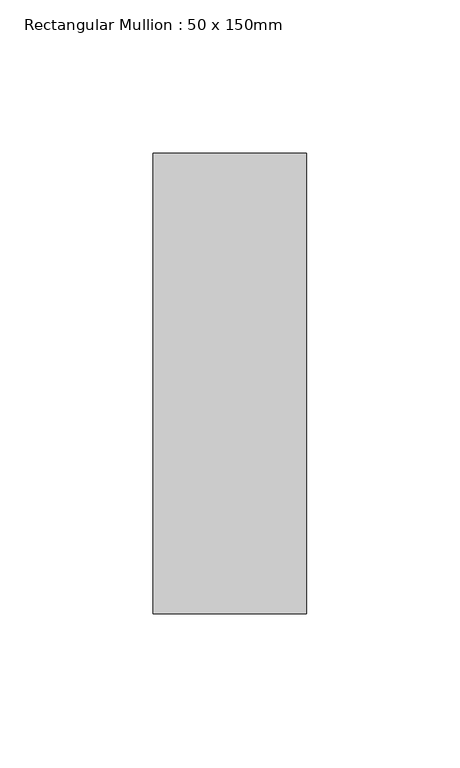
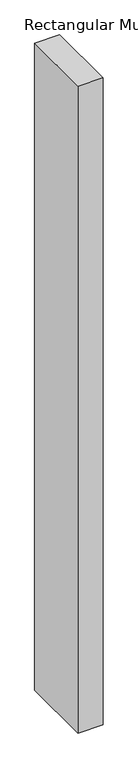
"""IFC4 building model written with IfcOpenShell, lengths in millimetres: member geometry, Rectangular Mullion : 50 x 150mm."""

from ifc_helpers import new_model, si_unit, frame, origin, place, context, project, spatial, polyline, outline, extrude, source, transform, mapped, element, save


def rectangular_mullion_50_x_150mm_dfeaa9ba(model_context):
    return source(origin(), model_context, "Body", "SweptSolid", [
        extrude(outline(polyline([(25.0, 75.0), (25.0, -75.0), (-25.0, -75.0), (-25.0, 75.0), (25.0, 75.0)])), frame((0.0, 0.0, -1367.0503543), z_axis=(0.0, 0.0, 1.0), x_axis=(1.0, 0.0, 0.0)), (0.0, 0.0, 1.0), 1367.0503543),
    ])


if __name__ == "__main__":
    model = new_model("IFC4")
    model_context = context("Model", 3, world=origin())
    ifc_project = project(units=[si_unit("LENGTHUNIT", "METRE", prefix="MILLI")], contexts=[model_context])
    site = spatial("IfcSite", under=ifc_project)
    building = spatial("IfcBuilding", under=site)
    placement = place(None, origin())
    rectangular_mullion_50_x_150mm_shape = rectangular_mullion_50_x_150mm_dfeaa9ba(model_context)
    element("IfcMember", 1, ObjectType="Rectangular Mullion : 50 x 150mm", at=placement, inside=building, context=model_context, shape_type="MappedRepresentation", body=[
        mapped(rectangular_mullion_50_x_150mm_shape, transform((0.0, 0.0, 0.0), x_axis=(1.0, 0.0, 0.0), y_axis=(0.0, 1.0, 0.0), z_axis=(0.0, 0.0, 1.0))),
    ])
    save(model, "model.ifc")
